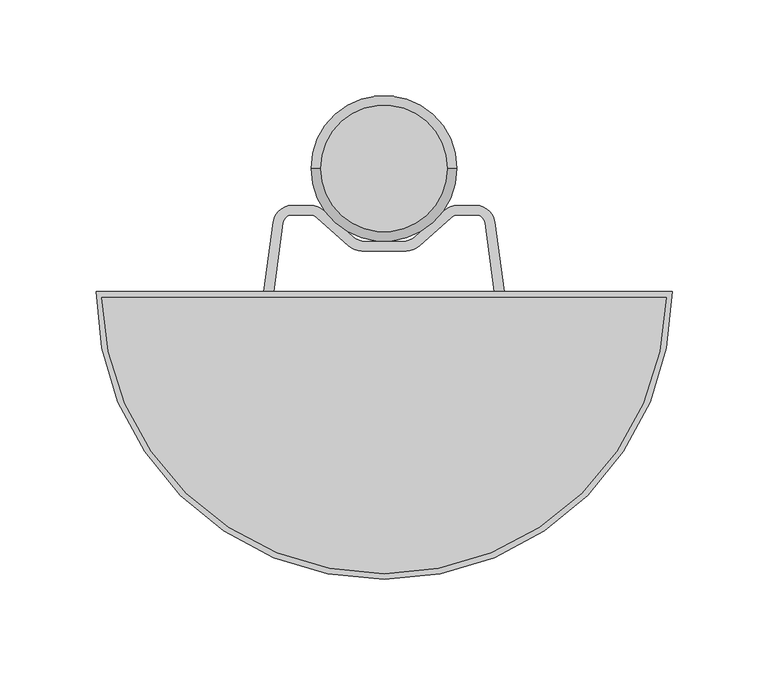
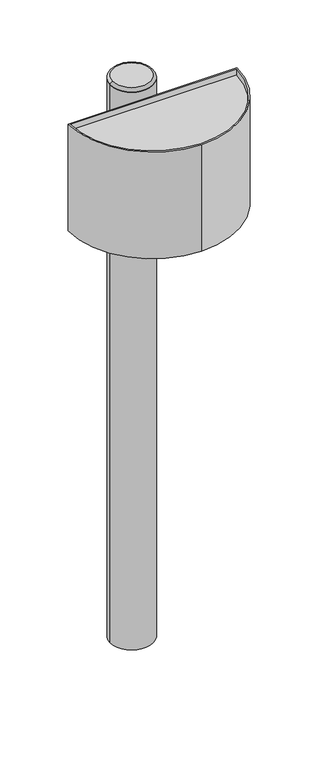
"""IFC4 building model written with IfcOpenShell, lengths in millimetres: furniture geometry."""

import ifcopenshell
import ifcopenshell.guid

model = None  # the IFC model being written
_history = None  # IfcOwnerHistory: only IFC2X3 demands one
_inside = {}  # id of a spatial element -> (the spatial element, [elements in it])
_under = {}  # id of a project, library or spatial element -> (it, [spatial elements below it])
_declared = {}  # id of a project -> (the project, [libraries it declares])
_typed = {}  # id of a type object -> (the type object, [elements of that type])
_made_of = {}  # id of a material, layer set ... -> (it, [elements and type objects made of it])


def new_model(schema):
    """Start an empty IFC model of exactly this schema.

    Asked for "IFC4X3", IfcOpenShell would pick the latest addendum, in which some entities
    have other attributes; the version numbers below select the first issue.
    IFC2X3 requires an IfcOwnerHistory on every rooted entity: one is made here for all.
    """
    global model, _history
    if schema == "IFC4X3":
        model = ifcopenshell.file(schema_version=(4, 3, 0, 0))
    else:
        model = ifcopenshell.file(schema=schema)
    _inside.clear()
    _under.clear()
    _declared.clear()
    _typed.clear()
    _made_of.clear()
    _history = None
    if model.schema == "IFC2X3":
        org = make("IfcOrganization", Name="unknown")
        user = make(
            "IfcPersonAndOrganization",
            ThePerson=make("IfcPerson", FamilyName="unknown"),
            TheOrganization=org,
        )
        app = make(
            "IfcApplication",
            ApplicationDeveloper=org,
            Version="unknown",
            ApplicationFullName="unknown",
            ApplicationIdentifier="unknown",
        )
        _history = make(
            "IfcOwnerHistory",
            OwningUser=user,
            OwningApplication=app,
            ChangeAction="ADDED",
            CreationDate=0,
        )
    return model


def make(cls, **values):
    """One entity of the class cls with the attributes given. An attribute that is None is left unset."""
    return model.create_entity(
        cls, **{name: value for name, value in values.items() if value is not None}
    )


def rooted(cls, **values):
    """An entity with a GlobalId (a new one), such as an element, a storey or a relation."""
    return make(cls, GlobalId=ifcopenshell.guid.new(), OwnerHistory=_history, **values)


def si_unit(unit_type, name, prefix=None):
    """IfcSIUnit, for example si_unit("LENGTHUNIT", "METRE", prefix="MILLI")."""
    return make("IfcSIUnit", UnitType=unit_type, Prefix=prefix, Name=name)


def assignment(units):
    """IfcUnitAssignment: the units of a project."""
    return None if units is None else make("IfcUnitAssignment", Units=units)


def point(xyz):
    """IfcCartesianPoint."""
    return None if xyz is None else make("IfcCartesianPoint", Coordinates=xyz)


def direction(xyz):
    """IfcDirection."""
    return None if xyz is None else make("IfcDirection", DirectionRatios=xyz)


def frame(location, z_axis=None, x_axis=None):
    """IfcAxis2Placement3D, a coordinate frame: its origin and axes. An axis left out is left unset."""
    return make(
        "IfcAxis2Placement3D",
        Location=point(location),
        Axis=direction(z_axis),
        RefDirection=direction(x_axis),
    )


def frame_2d(location, x_axis=None):
    """IfcAxis2Placement2D, a coordinate frame in the plane: its origin and x axis."""
    return make(
        "IfcAxis2Placement2D", Location=point(location), RefDirection=direction(x_axis)
    )


def origin():
    """The frame at (0, 0, 0) with its axes left unset."""
    return frame((0.0, 0.0, 0.0))


def place(relative_to, where):
    """IfcLocalPlacement: puts the frame where relative to a parent placement (None: the world)."""
    return make(
        "IfcLocalPlacement", PlacementRelTo=relative_to, RelativePlacement=where
    )


def context(
    kind, dimensions, precision=None, world=None, true_north=None, identifier=None
):
    """IfcGeometricRepresentationContext, for example the 3D "Model" context."""
    return make(
        "IfcGeometricRepresentationContext",
        ContextIdentifier=identifier,
        ContextType=kind,
        CoordinateSpaceDimension=dimensions,
        Precision=precision,
        WorldCoordinateSystem=world,
        TrueNorth=true_north,
    )


def project(units=None, contexts=None):
    """IfcProject with its units and contexts."""
    return rooted(
        "IfcProject",
        Name="project",
        RepresentationContexts=contexts,
        UnitsInContext=assignment(units),
    )


def spatial(cls, under=None, at=None, **own):
    """A site, building, storey or space (cls), placed at a placement, below another one or the project."""
    s = rooted(cls, ObjectPlacement=at, **own)
    if under is not None:
        _under.setdefault(under.id(), (under, []))[1].append(s)
    return s


def polyline(points):
    """IfcPolyline through the points."""
    return make("IfcPolyline", Points=[point(p) for p in points])


def circle_curve(where, radius):
    """IfcCircle in the frame where."""
    return make("IfcCircle", Position=where, Radius=radius)


def ellipse_curve(where, semi_axis1, semi_axis2):
    """IfcEllipse in the frame where."""
    return make(
        "IfcEllipse", Position=where, SemiAxis1=semi_axis1, SemiAxis2=semi_axis2
    )


def trimmed(basis, trim1, trim2, sense, master):
    """IfcTrimmedCurve: the piece of a basis curve between two trims."""
    return make(
        "IfcTrimmedCurve",
        BasisCurve=basis,
        Trim1=trim1,
        Trim2=trim2,
        SenseAgreement=sense,
        MasterRepresentation=master,
    )


def segment(curve, same_sense, transition):
    """IfcCompositeCurveSegment."""
    return make(
        "IfcCompositeCurveSegment",
        Transition=transition,
        SameSense=same_sense,
        ParentCurve=curve,
    )


def composite_curve(segments, self_intersect=None):
    """IfcCompositeCurve: segments joined end to end."""
    return make("IfcCompositeCurve", Segments=segments, SelfIntersect=self_intersect)


def outline(outer, holes=None, kind="AREA"):
    """IfcArbitraryClosedProfileDef: a profile drawn as a closed curve; with holes, ...WithVoids."""
    if holes is None:
        return make("IfcArbitraryClosedProfileDef", ProfileType=kind, OuterCurve=outer)
    return make(
        "IfcArbitraryProfileDefWithVoids",
        ProfileType=kind,
        OuterCurve=outer,
        InnerCurves=holes,
    )


def extrude(swept, where, along, depth):
    """IfcExtrudedAreaSolid: the profile swept, set in the frame where, extruded along a direction by depth."""
    return make(
        "IfcExtrudedAreaSolid",
        SweptArea=swept,
        Position=where,
        ExtrudedDirection=direction(along),
        Depth=depth,
    )


def shape(context_of_items, identifier, shape_type, items):
    """IfcShapeRepresentation: the items that make up one representation, for example the "Body"."""
    return make(
        "IfcShapeRepresentation",
        ContextOfItems=context_of_items,
        RepresentationIdentifier=identifier,
        RepresentationType=shape_type,
        Items=items,
    )


def source(mapping_origin, context_of_items, identifier, shape_type, items):
    """IfcRepresentationMap: a shape defined once, which mapped items show again and again."""
    return make(
        "IfcRepresentationMap",
        MappingOrigin=mapping_origin,
        MappedRepresentation=shape(context_of_items, identifier, shape_type, items),
    )


def transform(
    local_origin,
    x_axis=None,
    y_axis=None,
    z_axis=None,
    scale=None,
    scale2=None,
    scale3=None,
    uniform=True,
):
    """IfcCartesianTransformationOperator3D, or its non-uniform kind. x_axis, y_axis, z_axis: its Axis1, 2, 3."""
    if uniform:
        return make(
            "IfcCartesianTransformationOperator3D",
            Axis1=direction(x_axis),
            Axis2=direction(y_axis),
            LocalOrigin=point(local_origin),
            Scale=scale,
            Axis3=direction(z_axis),
        )
    return make(
        "IfcCartesianTransformationOperator3DnonUniform",
        Axis1=direction(x_axis),
        Axis2=direction(y_axis),
        LocalOrigin=point(local_origin),
        Scale=scale,
        Axis3=direction(z_axis),
        Scale2=scale2,
        Scale3=scale3,
    )


def mapped(mapping_source, mapping_target):
    """IfcMappedItem: shows the shape of a source again, moved by a transform."""
    return make(
        "IfcMappedItem", MappingSource=mapping_source, MappingTarget=mapping_target
    )


def made_of(thing, what):
    """Note that an element or type object is made of a material, layer set ...; save() writes the relation."""
    if what is not None:
        _made_of.setdefault(what.id(), (what, []))[1].append(thing)
    return thing


def element(
    cls,
    number,
    at=None,
    inside=None,
    cuts=None,
    type_object=None,
    material=None,
    context=None,
    identifier="Body",
    shape_type=None,
    held_by="IfcProductDefinitionShape",
    body=None,
    shapes=None,
    **own,
):
    """One element of the class cls, such as IfcWall. Its Tag is "e" and its number.

    at: its placement. inside: the storey or other place that contains it. cuts: it is an
    opening in that element (IfcRelVoidsElement). A single representation is given by context,
    identifier, shape_type and body (its items); several are given by shapes. held_by: the class
    of the entity that holds the representations. save() writes the other relations.
    """
    e = rooted(cls, Tag="e%d" % number, ObjectPlacement=at, **own)
    if body is not None:
        shapes = [shape(context, identifier, shape_type, body)]
    if shapes is not None:
        e.Representation = make(held_by, Representations=shapes)
    if inside is not None:
        _inside.setdefault(inside.id(), (inside, []))[1].append(e)
    if cuts is not None:
        rooted(
            "IfcRelVoidsElement", RelatingBuildingElement=cuts, RelatedOpeningElement=e
        )
    if type_object is not None:
        _typed.setdefault(type_object.id(), (type_object, []))[1].append(e)
    return made_of(e, material)


def aggregate(whole, parts):
    """IfcRelAggregates: a whole, such as a stair, and the parts it consists of."""
    return rooted("IfcRelAggregates", RelatingObject=whole, RelatedObjects=parts)


def save(model, path):
    """Write the relations noted so far, then the file.

    IfcRelAggregates (storeys below a building ...), IfcRelContainedInSpatialStructure (elements
    in a storey), IfcRelDefinesByType, IfcRelAssociatesMaterial and IfcRelDeclares: one each for
    every whole, place, type object, material and project.
    """
    for whole, parts in _under.values():
        aggregate(whole, parts)
    for where, things in _inside.values():
        rooted(
            "IfcRelContainedInSpatialStructure",
            RelatedElements=things,
            RelatingStructure=where,
        )
    for kind, things in _typed.values():
        rooted("IfcRelDefinesByType", RelatedObjects=things, RelatingType=kind)
    for what, things in _made_of.values():
        rooted("IfcRelAssociatesMaterial", RelatedObjects=things, RelatingMaterial=what)
    for by, libraries in _declared.values():
        rooted("IfcRelDeclares", RelatingContext=by, RelatedDefinitions=libraries)
    model.write(path)


def plane_surface(at):
    """IfcPlane: the flat surface through the origin of the frame at, square to its z axis."""
    return make("IfcPlane", Position=at)


def cylinder_surface(at, radius):
    """IfcCylindricalSurface: all points at the distance radius from the z axis of the frame at."""
    return make("IfcCylindricalSurface", Position=at, Radius=radius)


def revolved_surface(curve, axis_point, axis_direction):
    """IfcSurfaceOfRevolution: the curve turned about the line through axis_point along axis_direction."""
    return make(
        "IfcSurfaceOfRevolution",
        SweptCurve=make("IfcArbitraryOpenProfileDef", ProfileType="CURVE", Curve=curve),
        AxisPosition=make("IfcAxis1Placement", Location=point(axis_point), Axis=direction(axis_direction)),
    )


def advanced_brep(points, edges, surfaces, faces):
    """IfcAdvancedBrep: a solid bounded by faces that lie on surfaces and meet in shared edges.

    An edge is (start, end): straight between two places in points (the first is 0);
    or (start, end, curve); or (start, end, curve, False) where it runs against its curve.
    A face is (place in surfaces, loops), or (place, loops, False) where it looks against
    its surface's normal. A loop lists edges by number (the first is 1), with a minus sign
    where the edge is run from its end to its start. The first loop is the outer one.
    """
    corners = [point(p) for p in points]
    vertices = [make("IfcVertexPoint", VertexGeometry=c) for c in corners]
    made = []
    for start, end, *more in edges:
        made.append(
            make(
                "IfcEdgeCurve",
                EdgeStart=vertices[start],
                EdgeEnd=vertices[end],
                EdgeGeometry=more[0] if more else make("IfcPolyline", Points=[corners[start], corners[end]]),
                SameSense=more[1] if len(more) > 1 else True,
            )
        )
    hull = []
    for where, loops, *sense in faces:
        bounds = []
        for j, loop in enumerate(loops):
            ring = [make("IfcOrientedEdge", EdgeElement=made[abs(k) - 1], Orientation=k > 0) for k in loop]
            bounds.append(
                make(
                    "IfcFaceOuterBound" if j == 0 else "IfcFaceBound",
                    Bound=make("IfcEdgeLoop", EdgeList=ring),
                    Orientation=True,
                )
            )
        hull.append(make("IfcAdvancedFace", Bounds=bounds, FaceSurface=surfaces[where], SameSense=sense[0] if sense else True))
    return make("IfcAdvancedBrep", Outer=make("IfcClosedShell", CfsFaces=hull))


def furniture_51f01f5b(model_context):
    return source(origin(), model_context, "Body", "SolidModel", [
        advanced_brep(
        [(33.0, 139.2679987, 1050.0), (-33.0, 139.2679987, 1050.0), (-38.0, 139.2679987, 0.0), (38.0, 139.2679987, 0.0), (38.0, 139.2679987, 1044.0189601), (-38.0, 139.2679987, 1044.0189601), (38.0, 139.2679987, 1045.0), (-38.0, 139.2679987, 1045.0)],
        [
            (0, 1, circle_curve(frame((0.0, 139.2679987, 1050.0), z_axis=(0.0, 0.0, 1.0), x_axis=(1.0, 0.0, 0.0)), 33.0)),
            (1, 0, circle_curve(frame((0.0, 139.2679987, 1050.0), z_axis=(0.0, 0.0, 1.0), x_axis=(-1.0, 0.0, 0.0)), 33.0)),
            (2, 3, circle_curve(frame((0.0, 139.2679987, 0.0), z_axis=(0.0, 0.0, -1.0), x_axis=(1.0, 0.0, 0.0)), 38.0)),
            (3, 2, circle_curve(frame((0.0, 139.2679987, 0.0), z_axis=(0.0, 0.0, -1.0), x_axis=(1.0, 0.0, 0.0)), 38.0)),
            (3, 4),
            (4, 5, circle_curve(frame((0.0, 139.2679987, 1044.0189601), z_axis=(0.0, 0.0, -1.0), x_axis=(1.0, 0.0, 0.0)), 38.0)),
            (5, 2),
            (5, 4, circle_curve(frame((0.0, 139.2679987, 1044.0189601), z_axis=(0.0, 0.0, -1.0), x_axis=(1.0, 0.0, 0.0)), 38.0)),
            (6, 7, circle_curve(frame((0.0, 139.2679987, 1045.0), z_axis=(0.0, 0.0, -1.0), x_axis=(-1.0, 0.0, 0.0)), 38.0)),
            (7, 5),
            (4, 6),
            (1, 7, circle_curve(frame((-33.0, 139.2679987, 1045.0), z_axis=(0.0, -1.0, 0.0), x_axis=(1.0, 0.0, 0.0)), 5.0)),
            (6, 0, circle_curve(frame((33.0, 139.2679987, 1045.0), z_axis=(0.0, -1.0, 0.0), x_axis=(-1.0, 0.0, 0.0)), 5.0)),
            (7, 6, circle_curve(frame((0.0, 139.2679987, 1045.0), z_axis=(0.0, 0.0, -1.0), x_axis=(1.0, 0.0, 0.0)), 38.0)),
        ],
        [
            plane_surface(frame((0.0, 139.2679987, 1050.0), z_axis=(0.0, 0.0, 1.0), x_axis=(1.0, 0.0, 0.0))),
            plane_surface(frame((38.0, 139.2679987, 0.0), z_axis=(0.0, 0.0, -1.0), x_axis=(0.0, -1.0, 0.0))),
            cylinder_surface(frame((0.0, 139.2679987, 0.0), z_axis=(0.0, 0.0, 1.0), x_axis=(1.0, 0.0, 0.0)), 38.0),
            cylinder_surface(frame((0.0, 139.2679987, 0.0), z_axis=(0.0, 0.0, 1.0), x_axis=(-1.0, 0.0, 0.0)), 38.0),
            revolved_surface(trimmed(ellipse_curve(frame((-33.0, 139.2679987, 1045.0), z_axis=(0.0, 1.0, 0.0), x_axis=(1.0, 0.0, 0.0)), 5.0, 5.0), [point((-38.0, 139.2679987, 1045.0))], [point((-33.0, 139.2679987, 1050.0))], True, "CARTESIAN"), (0.0, 139.2679987, 0.0), (0.0, 0.0, 1.0)),
            revolved_surface(trimmed(ellipse_curve(frame((33.0, 139.2679987, 1045.0), z_axis=(0.0, -1.0, 0.0), x_axis=(-1.0, 0.0, 0.0)), 5.0, 5.0), [point((38.0, 139.2679987, 1045.0))], [point((33.0, 139.2679987, 1050.0))], True, "CARTESIAN"), (0.0, 139.2679987, 0.0), (0.0, 0.0, 1.0)),
        ],
        [
            (0, [[1, 2]]),
            (1, [[3, 4]]),
            (2, [[-4, 5, 6, 7]]),
            (2, [[-3, -7, 8, -5]]),
            (3, [[9, 10, -6, 11]]),
            (4, [[-2, 12, -9, 13]]),
            (2, [[-10, 14, -11, -8]]),
            (5, [[-1, -13, -14, -12]]),
        ],
    ),
        extrude(outline(composite_curve([segment(polyline([(-38.3215909, 115.0), (-47.7847306, 115.0)]), True, "CONTINUOUS"), segment(trimmed(circle_curve(frame_2d((-47.7847306, 110.0)), 5.0), [point((-47.7847306, 115.0))], [point((-52.7408701, 110.6608186))], True, "CARTESIAN"), True, "CONTINUOUS"), segment(polyline([(-52.7408701, 110.6608186), (-57.495646, 75.0), (-62.5398946, 75.0), (-57.6970097, 111.3216372)]), True, "CONTINUOUS"), segment(trimmed(circle_curve(frame_2d((-47.7847306, 110.0)), 10.0), [point((-57.6970097, 111.3216372))], [point((-47.7847306, 120.0))], False, "CARTESIAN"), True, "CONTINUOUS"), segment(polyline([(-47.7847306, 120.0), (-38.3215909, 120.0)]), True, "CONTINUOUS"), segment(trimmed(circle_curve(frame_2d((-38.3215909, 110.0)), 10.0), [point((-38.3215909, 120.0))], [point((-31.6646344, 117.4622335))], False, "CARTESIAN"), True, "CONTINUOUS"), segment(polyline([(-31.6646344, 117.4622335), (-16.3561738, 103.8057651)]), True, "CONTINUOUS"), segment(trimmed(circle_curve(frame_2d((-9.6992173, 111.2679987)), 10.0), [point((-16.3561738, 103.8057651))], [point((-9.6992173, 101.2679987))], True, "CARTESIAN"), True, "CONTINUOUS"), segment(polyline([(-9.6992173, 101.2679987), (9.6992173, 101.2679987)]), True, "CONTINUOUS"), segment(trimmed(circle_curve(frame_2d((9.6992173, 111.2679987)), 10.0), [point((9.6992173, 101.2679987))], [point((16.3561738, 103.8057651))], True, "CARTESIAN"), True, "CONTINUOUS"), segment(polyline([(16.3561738, 103.8057651), (31.6646344, 117.4622335)]), True, "CONTINUOUS"), segment(trimmed(circle_curve(frame_2d((38.3215909, 110.0)), 10.0), [point((31.6646344, 117.4622335))], [point((38.3215909, 120.0))], False, "CARTESIAN"), True, "CONTINUOUS"), segment(polyline([(38.3215909, 120.0), (47.7847306, 120.0)]), True, "CONTINUOUS"), segment(trimmed(circle_curve(frame_2d((47.7847306, 110.0)), 10.0), [point((47.7847306, 120.0))], [point((57.6970097, 111.3216372))], False, "CARTESIAN"), True, "CONTINUOUS"), segment(polyline([(57.6970097, 111.3216372), (62.5398946, 75.0), (57.495646, 75.0), (52.7408701, 110.6608186)]), True, "CONTINUOUS"), segment(trimmed(circle_curve(frame_2d((47.7847306, 110.0)), 5.0), [point((52.7408701, 110.6608186))], [point((47.7847306, 115.0))], True, "CARTESIAN"), True, "CONTINUOUS"), segment(polyline([(47.7847306, 115.0), (38.3215909, 115.0)]), True, "CONTINUOUS"), segment(trimmed(circle_curve(frame_2d((38.3215909, 110.0)), 5.0), [point((38.3215909, 115.0))], [point((34.9931127, 113.7311168))], True, "CARTESIAN"), True, "CONTINUOUS"), segment(polyline([(34.9931127, 113.7311168), (18.262275, 98.8057651)]), True, "CONTINUOUS"), segment(trimmed(circle_curve(frame_2d((11.6053184, 106.2679987)), 10.0), [point((18.262275, 98.8057651))], [point((11.6053184, 96.2679987))], False, "CARTESIAN"), True, "CONTINUOUS"), segment(polyline([(11.6053184, 96.2679987), (-11.6053184, 96.2679987)]), True, "CONTINUOUS"), segment(trimmed(circle_curve(frame_2d((-11.6053184, 106.2679987)), 10.0), [point((-11.6053184, 96.2679987))], [point((-18.262275, 98.8057651))], False, "CARTESIAN"), True, "CONTINUOUS"), segment(polyline([(-18.262275, 98.8057651), (-34.9931127, 113.7311168)]), True, "CONTINUOUS"), segment(trimmed(circle_curve(frame_2d((-38.3215909, 110.0)), 5.0), [point((-34.9931127, 113.7311168))], [point((-38.3215909, 115.0))], True, "CARTESIAN"), True, "CONTINUOUS")], self_intersect=False)), frame((0.0, 0.0, 890.0), z_axis=(0.0, 0.0, 1.0), x_axis=(1.0, 0.0, 0.0)), (0.0, 0.0, 1.0), 120.0),
        advanced_brep(
        [(146.9693846, 72.0, 853.0), (-146.9693846, 72.0, 853.0), (0.0, -72.0, 853.0), (-150.0, 75.0, 850.0), (150.0, 75.0, 850.0), (0.0, -75.0, 850.0), (-150.0, 75.0, 1050.0), (0.0, -75.0, 1050.0), (150.0, 75.0, 1050.0), (-146.9693846, 72.0, 1050.0), (146.9693846, 72.0, 1050.0), (0.0, -72.0, 1050.0)],
        [
            (0, 1),
            (1, 2, circle_curve(frame((0.0, 75.0, 853.0), z_axis=(0.0, 0.0, 1.0), x_axis=(-0.9997917317482361, -0.02040816326530056, 0.0)), 147.0)),
            (2, 0, circle_curve(frame((0.0, 75.0, 853.0), z_axis=(0.0, 0.0, 1.0), x_axis=(0.0, -1.0, 0.0)), 147.0)),
            (3, 4),
            (4, 5, circle_curve(frame((0.0, 75.0, 850.0), z_axis=(0.0, 0.0, -1.0), x_axis=(0.0, -1.0, 0.0)), 150.0)),
            (5, 3, circle_curve(frame((0.0, 75.0, 850.0), z_axis=(0.0, 0.0, -1.0), x_axis=(-1.0, 0.0, 0.0)), 150.0)),
            (6, 7, circle_curve(frame((0.0, 75.0, 1050.0), z_axis=(0.0, 0.0, 1.0), x_axis=(-1.0, 0.0, 0.0)), 150.0)),
            (7, 8, circle_curve(frame((0.0, 75.0, 1050.0), z_axis=(0.0, 0.0, 1.0), x_axis=(0.0, -1.0, 0.0)), 150.0)),
            (8, 6),
            (9, 10),
            (10, 11, circle_curve(frame((0.0, 75.0, 1050.0), z_axis=(0.0, 0.0, -1.0), x_axis=(0.0, -1.0, 0.0)), 147.0)),
            (11, 9, circle_curve(frame((0.0, 75.0, 1050.0), z_axis=(0.0, 0.0, -1.0), x_axis=(-0.9997917317482361, -0.02040816326530056, 0.0)), 147.0)),
            (6, 3),
            (5, 7),
            (4, 8),
            (9, 1),
            (0, 10),
            (2, 11),
        ],
        [
            plane_surface(frame((-146.9693846, 72.0, 853.0), z_axis=(0.0, 0.0, 1.0), x_axis=(-1.0, 0.0, 0.0))),
            plane_surface(frame((-146.9693846, 72.0, 850.0), z_axis=(0.0, 0.0, -1.0), x_axis=(1.0, 0.0, 0.0))),
            plane_surface(frame((-150.0, 75.0, 1050.0), z_axis=(0.0, 0.0, 1.0), x_axis=(0.0, -1.0, 0.0))),
            cylinder_surface(frame((0.0, 75.0, 850.0), z_axis=(0.0, 0.0, 1.0), x_axis=(-1.0, 0.0, 0.0)), 150.0),
            cylinder_surface(frame((0.0, 75.0, 850.0), z_axis=(0.0, 0.0, 1.0), x_axis=(0.0, -1.0, 0.0)), 150.0),
            plane_surface(frame((150.0, 75.0, 1050.0), z_axis=(0.0, 1.0, 0.0), x_axis=(0.0, 0.0, -1.0))),
            plane_surface(frame((-146.9693846, 72.0, 1050.0), z_axis=(0.0, -1.0, 0.0), x_axis=(0.0, 0.0, -1.0))),
            revolved_surface(polyline([(0.0, -72.0, 853.0), (0.0, -72.0, 1050.0)]), (0.0, 75.0, 0.0), (0.0, 0.0, -1.0)),
            revolved_surface(polyline([(-146.9693845669907, 72.00000000000082, 853.0), (-146.9693845669907, 72.00000000000082, 1050.0)]), (0.0, 75.0, 0.0), (0.0, 0.0, -1.0)),
        ],
        [
            (0, [[1, 2, 3]]),
            (1, [[4, 5, 6]]),
            (2, [[7, 8, 9], [10, 11, 12]]),
            (3, [[-7, 13, -6, 14]]),
            (4, [[-8, -14, -5, 15]]),
            (5, [[-9, -15, -4, -13]]),
            (6, [[-10, 16, -1, 17]]),
            (7, [[-11, -17, -3, 18]]),
            (8, [[-12, -18, -2, -16]]),
        ],
    ),
        extrude(outline(composite_curve([segment(trimmed(circle_curve(frame_2d((0.0, 75.0)), 147.0), [point((146.9693846, 72.0))], [point((0.0, -72.0))], False, "CARTESIAN"), True, "CONTINUOUS"), segment(trimmed(circle_curve(frame_2d((0.0, 75.0)), 147.0), [point((0.0, -72.0))], [point((-146.9693846, 72.0))], False, "CARTESIAN"), True, "CONTINUOUS"), segment(polyline([(-146.9693846, 72.0), (146.9693846, 72.0)]), True, "CONTINUOUS")], self_intersect=False)), frame((0.0, 0.0, 1037.0), z_axis=(0.0, 0.0, 1.0), x_axis=(1.0, 0.0, 0.0)), (0.0, 0.0, 1.0), 3.0),
    ])


if __name__ == "__main__":
    model = new_model("IFC4")
    model_context = context("Model", 3, world=origin())
    ifc_project = project(units=[si_unit("LENGTHUNIT", "METRE", prefix="MILLI")], contexts=[model_context])
    site = spatial("IfcSite", under=ifc_project)
    building = spatial("IfcBuilding", under=site)
    placement = place(None, origin())
    furniture_shape = furniture_51f01f5b(model_context)
    element("IfcFurniture", 1, at=placement, inside=building, context=model_context, shape_type="MappedRepresentation", body=[
        mapped(furniture_shape, transform((0.0, 0.0, 0.0), x_axis=(1.0, 0.0, 0.0), y_axis=(0.0, 1.0, 0.0), z_axis=(0.0, 0.0, 1.0))),
    ])
    save(model, "model.ifc")
